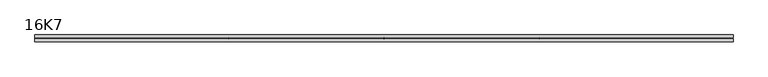
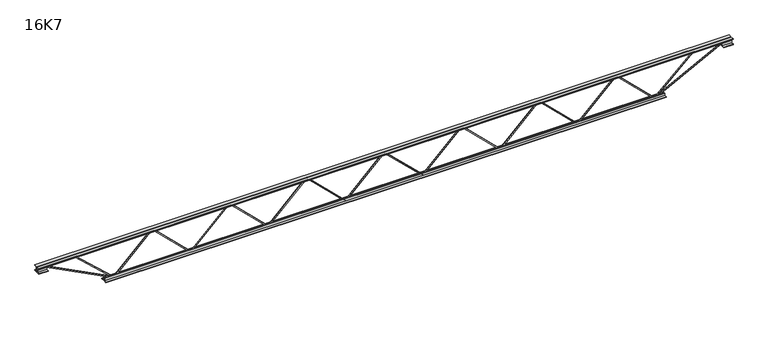
"""IFC4 building model written with IfcOpenShell, lengths in millimetres: beam geometry, 16K7."""

from ifc_helpers import new_model, si_unit, frame, origin, place, context, project, spatial, polyline, outline, extrude, source, transform, mapped, element, save


def beam_16k7_106ea7d8(model_context):
    return source(origin(), model_context, "Body", "SweptSolid", [
        extrude(outline(polyline([(-191.9, 1231.7142857), (-201.4, 1231.7142857), (-201.4, 1236.8188057), (191.9, 1641.0402343), (191.9, 1643.5311943), (-201.4, 2047.7526228), (-201.4, 2052.8571429), (-191.9, 2052.8571429), (-191.9, 2051.6116629), (201.4, 1647.3902343), (201.4, 1637.1811943), (-191.9, 1232.9597657), (-191.9, 1231.7142857)])), frame((0.0, -4.75, 0.0), z_axis=(0.0, 1.0, 0.0), x_axis=(0.0, 0.0, 1.0)), (0.0, 0.0, 1.0), 9.5),
        extrude(outline(polyline([(-191.9, 410.5714286), (-201.4, 410.5714286), (-201.4, 415.6759486), (191.9, 819.8973772), (191.9, 822.3883371), (-201.4, 1226.6097657), (-201.4, 1231.7142857), (-191.9, 1231.7142857), (-191.9, 1230.4688057), (201.4, 826.2473772), (201.4, 816.0383371), (-191.9, 411.8169086), (-191.9, 410.5714286)])), frame((0.0, -4.75, 0.0), z_axis=(0.0, 1.0, 0.0), x_axis=(0.0, 0.0, 1.0)), (0.0, 0.0, 1.0), 9.5),
        extrude(outline(polyline([(-191.9, -410.5714286), (-201.4, -410.5714286), (-201.4, -405.4669086), (191.9, -1.24548), (191.9, 1.24548), (-201.4, 405.4669086), (-201.4, 410.5714286), (-191.9, 410.5714286), (-191.9, 409.3259486), (201.4, 5.10452), (201.4, -5.10452), (-191.9, -409.3259486), (-191.9, -410.5714286)])), frame((0.0, -4.75, 0.0), z_axis=(0.0, 1.0, 0.0), x_axis=(0.0, 0.0, 1.0)), (0.0, 0.0, 1.0), 9.5),
        extrude(outline(polyline([(-191.9, -1231.7142857), (-201.4, -1231.7142857), (-201.4, -1226.6097657), (191.9, -822.3883371), (191.9, -819.8973772), (-201.4, -415.6759486), (-201.4, -410.5714286), (-191.9, -410.5714286), (-191.9, -411.8169086), (201.4, -816.0383371), (201.4, -826.2473772), (-191.9, -1230.4688057), (-191.9, -1231.7142857)])), frame((0.0, -4.75, 0.0), z_axis=(0.0, 1.0, 0.0), x_axis=(0.0, 0.0, 1.0)), (0.0, 0.0, 1.0), 9.5),
        extrude(outline(polyline([(-191.9, -2052.8571429), (-201.4, -2052.8571429), (-201.4, -2047.7526228), (191.9, -1643.5311943), (191.9, -1641.0402343), (-201.4, -1236.8188057), (-201.4, -1231.7142857), (-191.9, -1231.7142857), (-191.9, -1232.9597657), (201.4, -1637.1811943), (201.4, -1647.3902343), (-191.9, -2051.6116629), (-191.9, -2052.8571429)])), frame((0.0, -4.75, 0.0), z_axis=(0.0, 1.0, 0.0), x_axis=(0.0, 0.0, 1.0)), (0.0, 0.0, 1.0), 9.5),
        extrude(outline(polyline([(-191.9, 2052.8571429), (-201.4, 2052.8571429), (-201.4, 2057.9616629), (191.9, 2462.1830914), (191.9, 2464.6740514), (-201.4, 2868.89548), (-201.4, 2874.0), (-191.9, 2874.0), (-191.9, 2872.75452), (201.4, 2468.5330914), (201.4, 2458.3240514), (-191.9, 2054.1026228), (-191.9, 2052.8571429)])), frame((0.0, -4.75, 0.0), z_axis=(0.0, 1.0, 0.0), x_axis=(0.0, 0.0, 1.0)), (0.0, 0.0, 1.0), 9.5),
        extrude(outline(polyline([(-191.9, -2874.0), (-201.4, -2874.0), (-201.4, -2868.89548), (191.9, -2464.6740514), (191.9, -2462.1830914), (-201.4, -2057.9616629), (-201.4, -2052.8571429), (-191.9, -2052.8571429), (-191.9, -2054.1026228), (201.4, -2458.3240514), (201.4, -2468.5330914), (-191.9, -2872.75452), (-191.9, -2874.0)])), frame((0.0, -4.75, 0.0), z_axis=(0.0, 1.0, 0.0), x_axis=(0.0, 0.0, 1.0)), (0.0, 0.0, 1.0), 9.5),
        extrude(outline(polyline([(4.75, 203.0), (36.75, 203.0), (36.75, 196.5), (11.25, 196.5), (11.25, 171.0), (4.75, 171.0), (4.75, 203.0)])), frame((-3686.0, 0.0, 0.0), z_axis=(1.0, 0.0, 0.0), x_axis=(0.0, 1.0, 0.0)), (0.0, 0.0, 1.0), 7372.0),
        extrude(outline(polyline([(-4.75, 203.0), (-4.75, 171.0), (-11.25, 171.0), (-11.25, 196.5), (-36.75, 196.5), (-36.75, 203.0), (-4.75, 203.0)])), frame((-3686.0, 0.0, 0.0), z_axis=(1.0, 0.0, 0.0), x_axis=(0.0, 1.0, 0.0)), (0.0, 0.0, 1.0), 7372.0),
        extrude(outline(polyline([(-4.75, 139.5), (-36.75, 139.5), (-36.75, 146.0), (-11.25, 146.0), (-11.25, 171.0), (-4.75, 171.0), (-4.75, 139.5)])), frame((-3686.0, 0.0, 0.0), z_axis=(1.0, 0.0, 0.0), x_axis=(0.0, 1.0, 0.0)), (0.0, 0.0, 1.0), 100.0),
        extrude(outline(polyline([(36.75, 139.5), (4.75, 139.5), (4.75, 171.0), (11.25, 171.0), (11.25, 146.0), (36.75, 146.0), (36.75, 139.5)])), frame((-3686.0, 0.0, 0.0), z_axis=(1.0, 0.0, 0.0), x_axis=(0.0, 1.0, 0.0)), (0.0, 0.0, 1.0), 100.0),
        extrude(outline(polyline([(4.75, 139.5), (4.75, 171.0), (11.25, 171.0), (11.25, 146.0), (36.75, 146.0), (36.75, 139.5), (4.75, 139.5)])), frame((3586.0, 0.0, 0.0), z_axis=(1.0, 0.0, 0.0), x_axis=(0.0, 1.0, 0.0)), (0.0, 0.0, 1.0), 100.0),
        extrude(outline(polyline([(-4.75, 139.5), (-36.75, 139.5), (-36.75, 146.0), (-11.25, 146.0), (-11.25, 171.0), (-4.75, 171.0), (-4.75, 139.5)])), frame((3586.0, 0.0, 0.0), z_axis=(1.0, 0.0, 0.0), x_axis=(0.0, 1.0, 0.0)), (0.0, 0.0, 1.0), 100.0),
        extrude(outline(polyline([(4.75, -203.0), (4.75, -171.0), (11.25, -171.0), (11.25, -196.5), (36.75, -196.5), (36.75, -203.0), (4.75, -203.0)])), frame((-2974.0, 0.0, 0.0), z_axis=(1.0, 0.0, 0.0), x_axis=(0.0, 1.0, 0.0)), (0.0, 0.0, 1.0), 5948.0),
        extrude(outline(polyline([(-4.75, -203.0), (-36.75, -203.0), (-36.75, -196.5), (-11.25, -196.5), (-11.25, -171.0), (-4.75, -171.0), (-4.75, -203.0)])), frame((-2974.0, 0.0, 0.0), z_axis=(1.0, 0.0, 0.0), x_axis=(0.0, 1.0, 0.0)), (0.0, 0.0, 1.0), 5948.0),
        extrude(outline(polyline([(-200.8705467, -2876.1793315), (-192.4294533, -2871.8206685), (175.75, -3584.8460208), (175.75, -3686.0), (166.25, -3686.0), (166.25, -3587.1539792), (-200.8705467, -2876.1793315)])), frame((0.0, -4.75, 0.0), z_axis=(0.0, 1.0, 0.0), x_axis=(0.0, 0.0, 1.0)), (0.0, 0.0, 1.0), 9.5),
        extrude(outline(polyline([(188.7, -3304.5285714), (179.2, -3304.5285714), (179.2, -3293.667656), (-200.1615518, -2877.1986722), (-193.1384482, -2870.8013278), (188.7, -3289.9894868), (188.7, -3304.5285714)])), frame((0.0, -4.75, 0.0), z_axis=(0.0, 1.0, 0.0), x_axis=(0.0, 0.0, 1.0)), (0.0, 0.0, 1.0), 9.5),
        extrude(outline(polyline([(0.0, -9.5), (0.0, 0.0), (801.3179909, 0.0), (801.3179909, -9.5), (0.0, -9.5)])), frame((3588.1793315, -4.75, 166.7794533), z_axis=(-0.4588066213244959, 0.0, 0.888536146832981), x_axis=(-0.888536146832981, 0.0, -0.4588066213244959)), (0.0, 0.0, 1.0), 9.5),
        extrude(outline(polyline([(0.0, -9.5), (0.0, 0.0), (579.1224002, 0.0), (579.1224002, -9.5), (0.0, -9.5)])), frame((3302.3115867, -4.75, 193.163419), z_axis=(-0.6791310434885217, 0.0, 0.7340170473294144), x_axis=(-0.7340170473294144, 0.0, -0.6791310434885217)), (0.0, 0.0, 1.0), 9.5),
    ])


if __name__ == "__main__":
    model = new_model("IFC4")
    model_context = context("Model", 3, world=origin())
    ifc_project = project(units=[si_unit("LENGTHUNIT", "METRE", prefix="MILLI")], contexts=[model_context])
    site = spatial("IfcSite", under=ifc_project)
    building = spatial("IfcBuilding", under=site)
    placement = place(None, origin())
    beam_16k7_shape = beam_16k7_106ea7d8(model_context)
    element("IfcBeam", 1, ObjectType="16K7", at=placement, inside=building, context=model_context, shape_type="MappedRepresentation", body=[
        mapped(beam_16k7_shape, transform((0.0, 0.0, 0.0), x_axis=(1.0, 0.0, 0.0), y_axis=(0.0, 1.0, 0.0), z_axis=(0.0, 0.0, 1.0))),
    ])
    save(model, "model.ifc")
